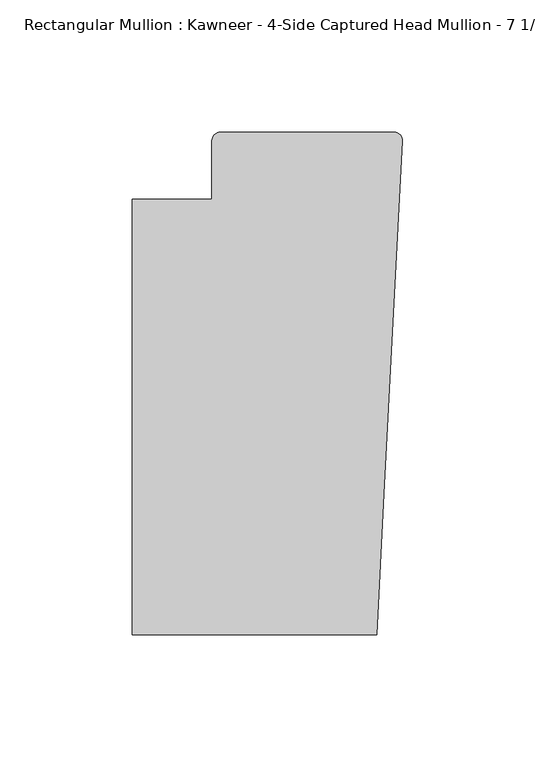
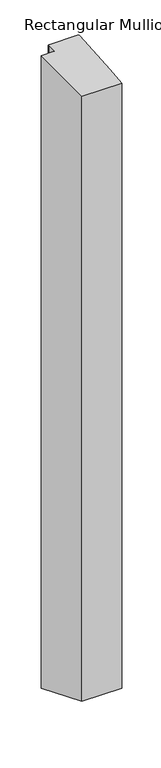
"""IFC4 building model written with IfcOpenShell, lengths in millimetres: member geometry."""

from ifc_helpers import new_model, si_unit, frame, origin, place, context, project, spatial, circle_curve, ellipse_curve, source, transform, mapped, element, save
from ifc_brep_helpers import plane_surface, cylinder_surface, advanced_brep


def member_c2f9cf49(model_context):
    return source(origin(), model_context, "Body", "AdvancedBrep", [
        advanced_brep(
        [(-9.7860662, -151.892, 0.0), (-6.9873394, -98.4891117, 0.0), (-0.0041105, 34.7588278, 0.0), (-3.175, 38.0999944, 0.0), (-68.798975, 38.0999944, 0.0), (-71.9739395, 34.9099677, 0.0), (-71.9739395, 12.7, 0.0), (-102.08978, 12.7, 0.0), (-102.08978, -151.892, 0.0), (-9.7860662, -151.892, -1491.4991017), (-6.9873394, -98.4891117, -1513.6193023), (-0.0061551, 34.7198154, -1568.796257), (-3.175, 38.0999944, -1570.1963625), (-68.798975, 38.0999944, -1570.1963625), (-71.9739395, 34.9099677, -1568.8750102), (-71.9739395, 12.7, -1559.6753403), (-102.08978, 12.7, -1559.6753403), (-102.08978, -151.892, -1491.4991017)],
        [
            (0, 1),
            (1, 2),
            (2, 3, circle_curve(frame((-3.175, 34.9249944, 0.0), z_axis=(0.0, 0.0, 1.0), x_axis=(0.0, 1.0, 0.0)), 3.175)),
            (3, 4),
            (4, 5, circle_curve(frame((-68.798975, 34.9249944, 0.0), z_axis=(0.0, 0.0, 1.0), x_axis=(-0.9999888001458095, -0.004732819766726053, 0.0)), 3.175)),
            (5, 6),
            (6, 7),
            (7, 8),
            (8, 0),
            (0, 9),
            (9, 10),
            (10, 1),
            (10, 11),
            (11, 2),
            (11, 12, ellipse_curve(frame((-3.175, 34.9249944, -1568.8812344), z_axis=(0.0, 0.38268343236508784, 0.9238795325112875), x_axis=(0.0, -0.9238795325112874, 0.38268343236508806)), 3.4365952, 3.175)),
            (12, 3),
            (12, 13),
            (13, 4),
            (13, 14, ellipse_curve(frame((-68.798975, 34.9249944, -1568.8812344), z_axis=(0.0, 0.38268343236508784, 0.9238795325112875), x_axis=(0.0, -0.9238795325112874, 0.38268343236508806)), 3.4365952, 3.175)),
            (14, 5),
            (14, 15),
            (15, 6),
            (15, 16),
            (16, 7),
            (16, 17),
            (17, 8),
            (17, 9),
        ],
        [
            plane_surface(frame((0.0, -183.0123025, 0.0), z_axis=(0.0, 0.0, 1.0), x_axis=(-1.0, 0.0, 0.0))),
            plane_surface(frame((-9.7860662, -151.892, 0.0), z_axis=(0.9986295347545738, -0.052335956242944896, 0.0), x_axis=(0.0, 0.0, -1.0))),
            plane_surface(frame((-6.9873394, -98.4891117, 0.0), z_axis=(0.9986295346400468, -0.05233595842825238, 0.0), x_axis=(0.0, 0.0, -1.0))),
            cylinder_surface(frame((-3.175, 34.9249944, 0.0), z_axis=(0.0, 0.0, 1.0), x_axis=(0.0, 1.0, 0.0)), 3.175),
            plane_surface(frame((-3.175, 38.0999944, 0.0), z_axis=(0.0, 1.0, 0.0), x_axis=(0.0, 0.0, -1.0))),
            cylinder_surface(frame((-68.798975, 34.9249944, 0.0), z_axis=(0.0, 0.0, 1.0), x_axis=(-0.9999888001458095, -0.004732819766726053, 0.0)), 3.175),
            plane_surface(frame((-71.9739395, 34.9099677, 0.0), z_axis=(-1.0, 0.0, 0.0), x_axis=(0.0, 0.0, -1.0))),
            plane_surface(frame((-71.9739395, 12.7, 0.0), z_axis=(0.0, 1.0, 0.0), x_axis=(0.0, 0.0, -1.0))),
            plane_surface(frame((-102.08978, 12.7, 0.0), z_axis=(-1.0, 0.0, 0.0), x_axis=(0.0, 0.0, -1.0))),
            plane_surface(frame((-102.08978, -151.892, 0.0), z_axis=(0.0, -1.0, 0.0), x_axis=(0.0, 0.0, -1.0))),
            plane_surface(frame((304.8, 0.0, -1554.4148281), z_axis=(0.0, -0.38268343236508784, -0.9238795325112875), x_axis=(0.0, -0.9238795325112875, 0.38268343236508784))),
        ],
        [
            (0, [[1, 2, 3, 4, 5, 6, 7, 8, 9]]),
            (1, [[-1, 10, 11, 12]]),
            (2, [[-2, -12, 13, 14]]),
            (3, [[-3, -14, 15, 16]]),
            (4, [[-4, -16, 17, 18]]),
            (5, [[-5, -18, 19, 20]]),
            (6, [[-6, -20, 21, 22]]),
            (7, [[-7, -22, 23, 24]]),
            (8, [[-8, -24, 25, 26]]),
            (9, [[-9, -26, 27, -10]]),
            (10, [[-27, -25, -23, -21, -19, -17, -15, -13, -11]]),
        ],
    ),
    ])


if __name__ == "__main__":
    model = new_model("IFC4")
    model_context = context("Model", 3, world=origin())
    ifc_project = project(units=[si_unit("LENGTHUNIT", "METRE", prefix="MILLI")], contexts=[model_context])
    site = spatial("IfcSite", under=ifc_project)
    building = spatial("IfcBuilding", under=site)
    placement = place(None, origin())
    member_shape = member_c2f9cf49(model_context)
    element("IfcMember", 1, ObjectType="Rectangular Mullion : Kawneer - 4-Side Captured Head Mullion - 7 1/2\"", at=placement, inside=building, context=model_context, shape_type="MappedRepresentation", body=[
        mapped(member_shape, transform((0.0, 0.0, 0.0), x_axis=(1.0, 0.0, 0.0), y_axis=(0.0, 1.0, 0.0), z_axis=(0.0, 0.0, 1.0))),
    ])
    save(model, "model.ifc")
